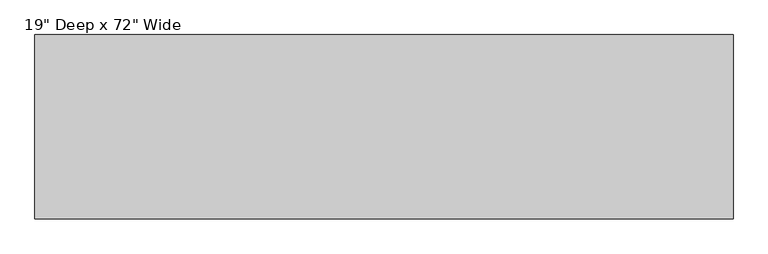
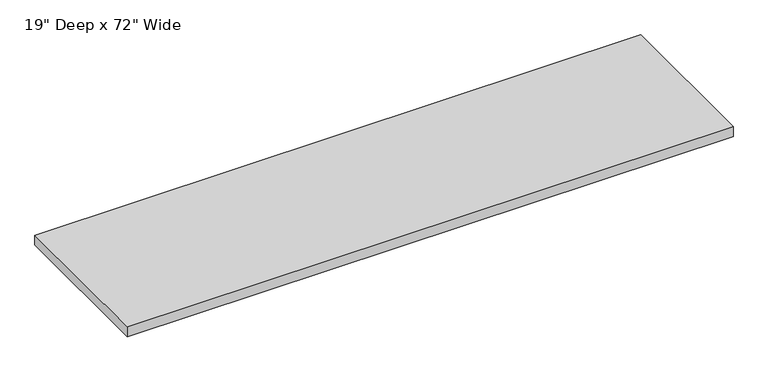
"""IFC4 building model written with IfcOpenShell, lengths in millimetres: furniture geometry."""

from ifc_helpers import new_model, si_unit, frame, origin, place, context, project, spatial, polyline, outline, extrude, source, transform, mapped, element, save


def furniture_5795bd73(model_context):
    return source(origin(), model_context, "Body", "SweptSolid", [
        extrude(outline(polyline([(1652.5875, -254.0), (1652.5875, -736.6), (-176.2125, -736.6), (-176.2125, -254.0), (1652.5875, -254.0)])), frame((0.0, 0.0, 704.85), z_axis=(0.0, 0.0, 1.0), x_axis=(1.0, 0.0, 0.0)), (0.0, 0.0, 1.0), 31.75),
    ])


if __name__ == "__main__":
    model = new_model("IFC4")
    model_context = context("Model", 3, world=origin())
    ifc_project = project(units=[si_unit("LENGTHUNIT", "METRE", prefix="MILLI")], contexts=[model_context])
    site = spatial("IfcSite", under=ifc_project)
    building = spatial("IfcBuilding", under=site)
    placement = place(None, origin())
    furniture_shape = furniture_5795bd73(model_context)
    element("IfcFurniture", 1, ObjectType="19\" Deep x 72\" Wide", at=placement, inside=building, context=model_context, shape_type="MappedRepresentation", body=[
        mapped(furniture_shape, transform((0.0, 0.0, 0.0), x_axis=(1.0, 0.0, 0.0), y_axis=(0.0, 1.0, 0.0), z_axis=(0.0, 0.0, 1.0))),
    ])
    save(model, "model.ifc")
